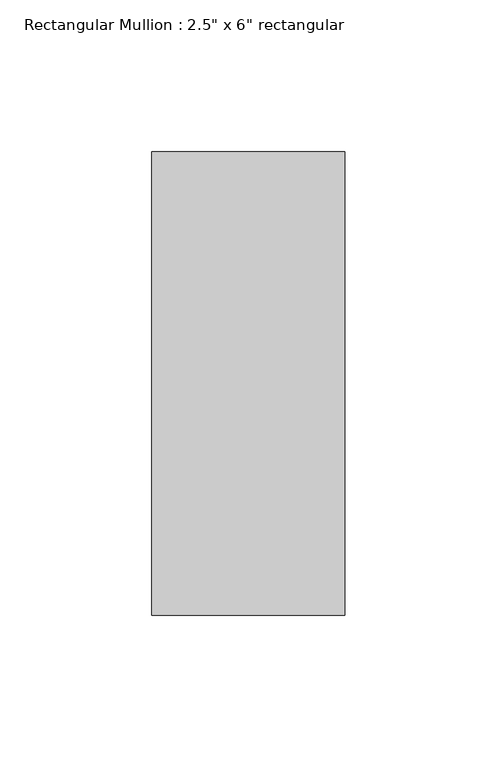
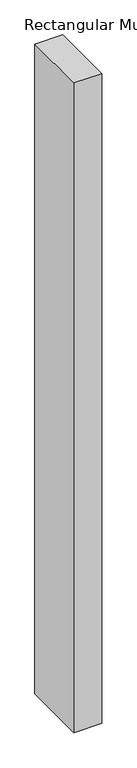
"""IFC4 building model written with IfcOpenShell, lengths in millimetres: member geometry."""

from ifc_helpers import new_model, si_unit, frame, origin, place, context, project, spatial, polyline, outline, extrude, source, transform, mapped, element, save


def member_2ddecb0f(model_context):
    return source(origin(), model_context, "Body", "SweptSolid", [
        extrude(outline(polyline([(0.0, 60.325), (0.0, -92.075), (-63.5, -92.075), (-63.5, 60.325), (0.0, 60.325)])), frame((0.0, 0.0, -1555.7500003), z_axis=(0.0, 0.0, 1.0), x_axis=(1.0, 0.0, 0.0)), (0.0, 0.0, 1.0), 1555.7500003),
    ])


if __name__ == "__main__":
    model = new_model("IFC4")
    model_context = context("Model", 3, world=origin())
    ifc_project = project(units=[si_unit("LENGTHUNIT", "METRE", prefix="MILLI")], contexts=[model_context])
    site = spatial("IfcSite", under=ifc_project)
    building = spatial("IfcBuilding", under=site)
    placement = place(None, origin())
    member_shape = member_2ddecb0f(model_context)
    element("IfcMember", 1, ObjectType="Rectangular Mullion : 2.5\" x 6\" rectangular", at=placement, inside=building, context=model_context, shape_type="MappedRepresentation", body=[
        mapped(member_shape, transform((0.0, 0.0, 0.0), x_axis=(1.0, 0.0, 0.0), y_axis=(0.0, 1.0, 0.0), z_axis=(0.0, 0.0, 1.0))),
    ])
    save(model, "model.ifc")
